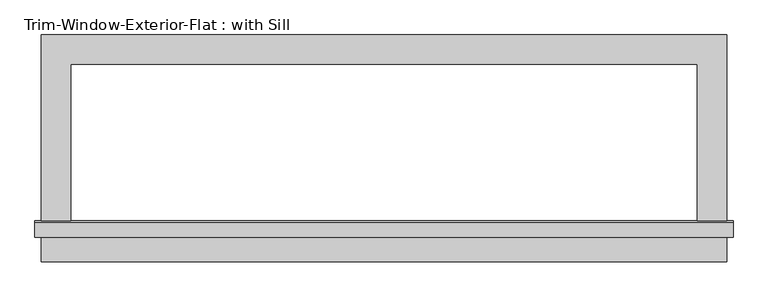
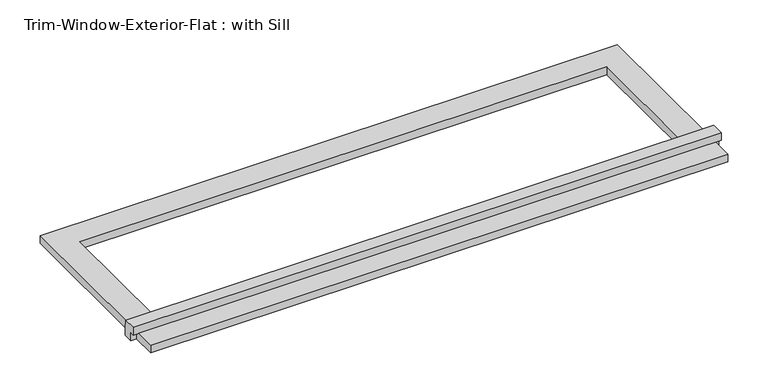
"""IFC4 building model written with IfcOpenShell, lengths in millimetres: proxy geometry, Trim-Window-Exterior-Flat : with Sill."""

from ifc_helpers import new_model, si_unit, frame, origin, origin_with_axes, place, context, project, spatial, polyline, outline, extrude, source, transform, mapped, element, save


def trim_window_exterior_flat_with_sill_6df9f6a6(model_context):
    return source(origin(), model_context, "Body", "SweptSolid", [
        extrude(outline(polyline([(666.75, -326.9823709), (666.75, -384.1323709), (-666.75, -384.1323709), (-666.75, -326.9823709), (666.75, -326.9823709)])), origin_with_axes(), (0.0, 0.0, 1.0), 19.05),
        extrude(outline(polyline([(-336.55, 38.1), (-307.2580645, 38.1), (-304.8, 19.05), (-304.8, 0.0), (-326.9823709, 0.0), (-326.9823709, 19.05), (-336.55, 19.05), (-336.55, 38.1)])), frame((-679.45, 0.0, 0.0), z_axis=(1.0, 0.0, 0.0), x_axis=(0.0, 1.0, 0.0)), (0.0, 0.0, 1.0), 1358.9),
        extrude(outline(polyline([(-666.75, 57.15), (666.75, 57.15), (666.75, -304.8), (609.6, -304.8), (609.6, 0.0), (-609.6, 0.0), (-609.6, -304.8), (-666.75, -304.8), (-666.75, 57.15)])), origin_with_axes(), (0.0, 0.0, 1.0), 19.05),
    ])


if __name__ == "__main__":
    model = new_model("IFC4")
    model_context = context("Model", 3, world=origin())
    ifc_project = project(units=[si_unit("LENGTHUNIT", "METRE", prefix="MILLI")], contexts=[model_context])
    site = spatial("IfcSite", under=ifc_project)
    building = spatial("IfcBuilding", under=site)
    placement = place(None, origin())
    trim_window_exterior_flat_with_sill_shape = trim_window_exterior_flat_with_sill_6df9f6a6(model_context)
    element("IfcBuildingElementProxy", 1, Name="Trim-Window-Exterior-Flat : with Sill", ObjectType="Trim-Window-Exterior-Flat : with Sill", at=placement, inside=building, context=model_context, shape_type="MappedRepresentation", body=[
        mapped(trim_window_exterior_flat_with_sill_shape, transform((0.0, 0.0, 0.0), x_axis=(1.0, 0.0, 0.0), y_axis=(0.0, 1.0, 0.0), z_axis=(0.0, 0.0, 1.0))),
    ])
    save(model, "model.ifc")
